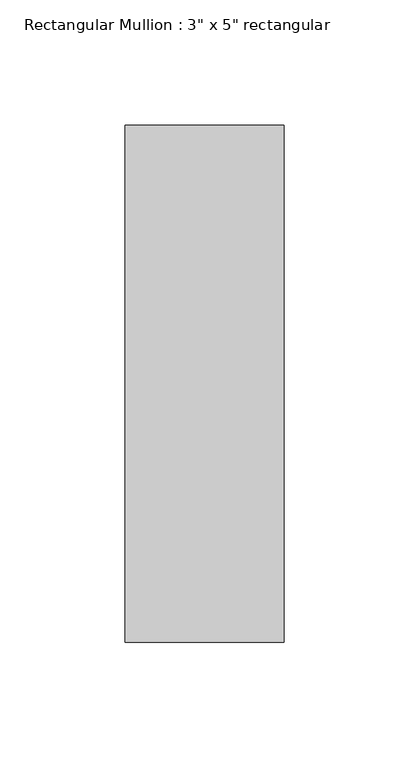
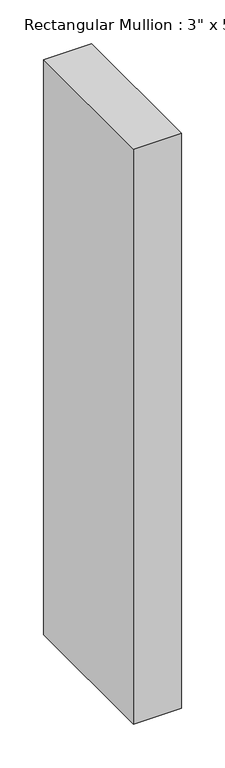
"""IFC4 building model written with IfcOpenShell, lengths in millimetres: member geometry."""

from ifc_helpers import new_model, si_unit, frame, origin, place, context, project, spatial, polyline, outline, extrude, source, transform, mapped, element, save


def member_5670fd1d(model_context):
    return source(origin(), model_context, "Body", "SweptSolid", [
        extrude(outline(polyline([(0.0, 90.551), (0.0, -115.951), (-63.5, -115.951), (-63.5, 90.551), (0.0, 90.551)])), frame((0.0, 0.0, -804.4503427), z_axis=(0.0, 0.0, 1.0), x_axis=(1.0, 0.0, 0.0)), (0.0, 0.0, 1.0), 804.4503427),
    ])


if __name__ == "__main__":
    model = new_model("IFC4")
    model_context = context("Model", 3, world=origin())
    ifc_project = project(units=[si_unit("LENGTHUNIT", "METRE", prefix="MILLI")], contexts=[model_context])
    site = spatial("IfcSite", under=ifc_project)
    building = spatial("IfcBuilding", under=site)
    placement = place(None, origin())
    member_shape = member_5670fd1d(model_context)
    element("IfcMember", 1, ObjectType="Rectangular Mullion : 3\" x 5\" rectangular", at=placement, inside=building, context=model_context, shape_type="MappedRepresentation", body=[
        mapped(member_shape, transform((0.0, 0.0, 0.0), x_axis=(1.0, 0.0, 0.0), y_axis=(0.0, 1.0, 0.0), z_axis=(0.0, 0.0, 1.0))),
    ])
    save(model, "model.ifc")
